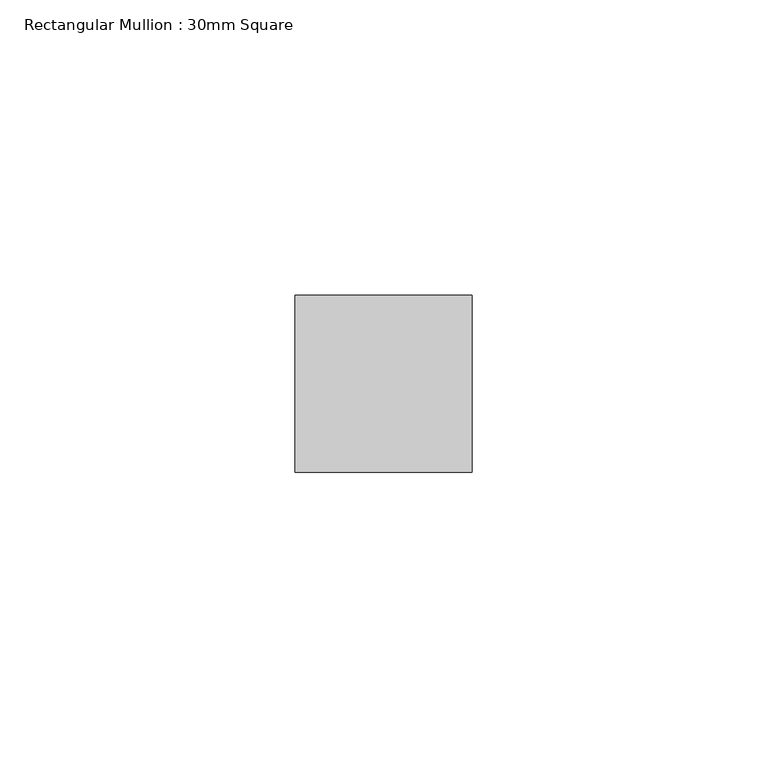
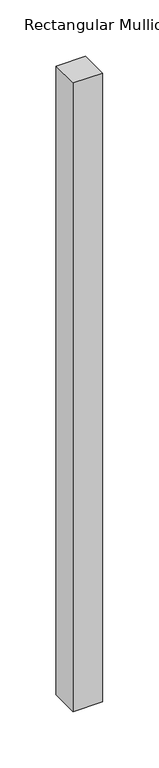
"""IFC4 building model written with IfcOpenShell, lengths in millimetres: member geometry, Rectangular Mullion : 30mm Square."""

from ifc_helpers import new_model, si_unit, frame, origin, place, context, project, spatial, polyline, outline, extrude, source, transform, mapped, element, save


def rectangular_mullion_30mm_square_0b19d74f(model_context):
    return source(origin(), model_context, "Body", "SweptSolid", [
        extrude(outline(polyline([(0.0, 15.0), (0.0, -15.0), (-30.0, -15.0), (-30.0, 15.0), (0.0, 15.0)])), frame((0.0, 0.0, -680.0), z_axis=(0.0, 0.0, 1.0), x_axis=(1.0, 0.0, 0.0)), (0.0, 0.0, 1.0), 680.0),
    ])


if __name__ == "__main__":
    model = new_model("IFC4")
    model_context = context("Model", 3, world=origin())
    ifc_project = project(units=[si_unit("LENGTHUNIT", "METRE", prefix="MILLI")], contexts=[model_context])
    site = spatial("IfcSite", under=ifc_project)
    building = spatial("IfcBuilding", under=site)
    placement = place(None, origin())
    rectangular_mullion_30mm_square_shape = rectangular_mullion_30mm_square_0b19d74f(model_context)
    element("IfcMember", 1, ObjectType="Rectangular Mullion : 30mm Square", at=placement, inside=building, context=model_context, shape_type="MappedRepresentation", body=[
        mapped(rectangular_mullion_30mm_square_shape, transform((0.0, 0.0, 0.0), x_axis=(1.0, 0.0, 0.0), y_axis=(0.0, 1.0, 0.0), z_axis=(0.0, 0.0, 1.0))),
    ])
    save(model, "model.ifc")
